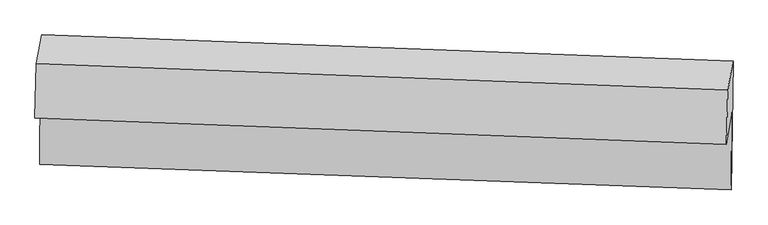
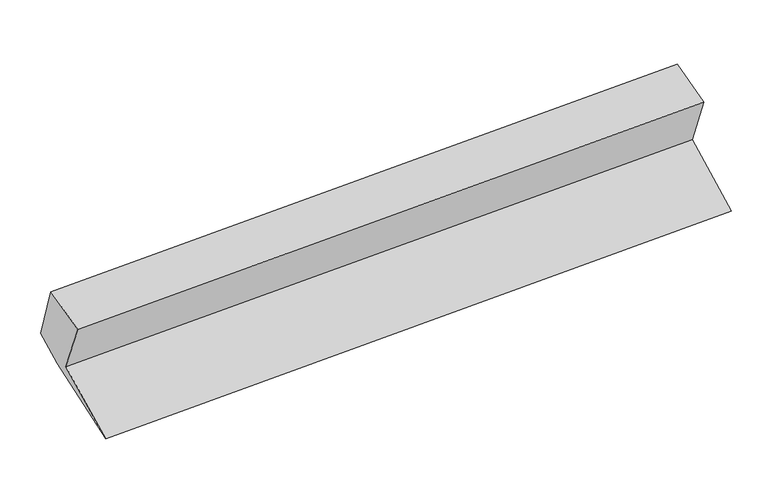
"""IFC4 building model written with IfcOpenShell, lengths in millimetres: proxy geometry."""

from ifc_helpers import new_model, si_unit, frame, origin, place, context, project, spatial, source, transform, mapped, element, save
from ifc_brep_helpers import plane_surface, spline_surface, advanced_brep


def generic_models_5c06cd3b(model_context):
    return source(origin(), model_context, "Body", "AdvancedBrep", [
        advanced_brep(
        [(-6119.5122912, -1656.0615466, 2167.9206263), (-6070.6906721, -1356.6611928, 1552.8921161), (371.1779922, -1597.740567, 1969.1958453), (322.0004124, -1899.3238625, 2588.7085565), (-6075.6494842, -2086.6852892, 1197.1174384), (366.2497102, -2323.2700935, 1615.6115805), (-6059.9551507, -1181.9746817, 1482.7247991), (381.5270228, -1429.7315675, 1901.3223164), (-6057.8874648, -877.5750688, 1631.0728806), (383.6252387, -1120.8373846, 2051.8608108), (-6107.3145895, -1147.75982, 2273.4147658), (334.1981141, -1391.0221359, 2694.202696)],
        [
            (0, 1),
            (1, 2),
            (2, 3),
            (3, 0),
            (1, 4),
            (4, 5),
            (5, 2),
            (4, 6),
            (6, 7),
            (7, 5),
            (6, 8),
            (8, 9),
            (9, 7),
            (8, 10),
            (10, 11),
            (11, 9),
            (10, 0),
            (3, 11),
        ],
        [
            plane_surface(frame((-6095.1014816, -1506.3613697, 1860.4063712), z_axis=(-0.005333981249145275, -0.8989421056688723, -0.43803497497305866), x_axis=(0.07119213028569447, 0.4365883265628081, -0.8968401829169296))),
            plane_surface(frame((-6073.1700781, -1721.673241, 1375.0047772), z_axis=(-0.07427994421089396, -0.436472719300089, 0.8966460032782236), x_axis=(-0.006106025331504023, -0.8989139961227338, -0.4380825767241933))),
            spline_surface(1, 1, [[(-6075.6494842, -2086.6852892, 1197.1174384), (366.2497102, -2323.2700935, 1615.6115805)], [(-6059.9551507, -1181.9746817, 1482.7247991), (381.5270228, -1429.7315675, 1901.3223164)]], [2, 2], [2, 2], [0.0, 1.0], [0.0, 1.0]),
            plane_surface(frame((-6058.9213078, -1029.7748753, 1556.8988398), z_axis=(0.07505178065871318, 0.4364431639755241, -0.8965961157840193), x_axis=(0.006106025331525614, 0.8989139961227338, 0.4380825767241931))),
            plane_surface(frame((-6082.6010272, -1012.6674444, 1952.2438232), z_axis=(0.00943248815857102, 0.9214758338917524, 0.3883211502360359), x_axis=(-0.07075139309663066, -0.3867501433151121, 0.9194664578007326))),
            plane_surface(frame((-6113.4134403, -1401.9106833, 2220.6676961), z_axis=(-0.07141287382594408, -0.2010498964316836, 0.976974483083734), x_axis=(-0.02348978544151537, -0.9788646088047251, -0.20315587023141612))),
            plane_surface(frame((359.7964151, -1626.9876018, 2136.8169676), z_axis=(0.9974439317776387, -0.03666416075329437, 0.06132978294614929), x_axis=(-0.07075139309663066, -0.3867501433151121, 0.9194664578007326))),
            plane_surface(frame((-6081.8349421, -1384.4529332, 1717.523771), z_axis=(-0.9974439317776386, 0.03666416075329404, -0.06132978294615218), x_axis=(0.023489785441514727, 0.9788646088047259, 0.2031558702314123))),
        ],
        [
            (0, [[1, 2, 3, 4]]),
            (1, [[5, 6, 7, -2]]),
            (2, [[8, 9, 10, -6]]),
            (3, [[11, 12, 13, -9]]),
            (4, [[14, 15, 16, -12]]),
            (5, [[17, -4, 18, -15]]),
            (6, [[-16, -18, -3, -7, -10, -13]]),
            (7, [[-17, -14, -11, -8, -5, -1]]),
        ],
    ),
    ])


if __name__ == "__main__":
    model = new_model("IFC4")
    model_context = context("Model", 3, world=origin())
    ifc_project = project(units=[si_unit("LENGTHUNIT", "METRE", prefix="MILLI")], contexts=[model_context])
    site = spatial("IfcSite", under=ifc_project)
    building = spatial("IfcBuilding", under=site)
    placement = place(None, origin())
    generic_models_shape = generic_models_5c06cd3b(model_context)
    element("IfcBuildingElementProxy", 1, Name="Generic Models", at=placement, inside=building, context=model_context, shape_type="MappedRepresentation", body=[
        mapped(generic_models_shape, transform((0.0, 0.0, 0.0), x_axis=(1.0, 0.0, 0.0), y_axis=(0.0, 1.0, 0.0), z_axis=(0.0, 0.0, 1.0))),
    ])
    save(model, "model.ifc")
